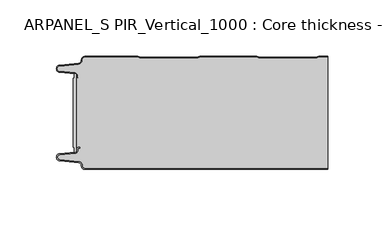
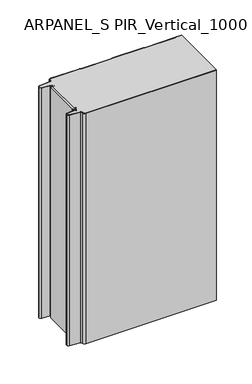
"""IFC4 building model written with IfcOpenShell, lengths in millimetres: plate geometry, ARPANEL_S PIR_Vertical_1000 : Core thickness - 100 mm."""

from ifc_helpers import new_model, si_unit, point, frame, frame_2d, origin, origin_with_axes, place, context, project, spatial, polyline, circle_curve, trimmed, segment, composite_curve, outline, extrude, source, transform, mapped, element, save
from ifc_brep_helpers import plane_surface, cylinder_surface, revolved_surface, advanced_brep


def arpanel_s_pir_vertical_1000_core_thickness_100_mm_e7b373ae(model_context):
    return source(origin(), model_context, "Body", "SolidModel", [
        extrude(outline(composite_curve([segment(polyline([(-105.2854621, -19.4639745), (-104.0682893, -19.0209598), (-104.0682893, -15.20918)]), True, "CONTINUOUS"), segment(trimmed(circle_curve(frame_2d((-103.9194754, -17.302662)), 2.0987645), [point((-104.0682893, -15.20918))], [point((-102.4659308, -15.7887199))], False, "CARTESIAN"), True, "CONTINUOUS"), segment(polyline([(-102.4659308, -15.7887199), (-102.4659308, -84.2112801)]), True, "CONTINUOUS"), segment(trimmed(circle_curve(frame_2d((-103.9194754, -82.697338)), 2.0987645), [point((-102.4659308, -84.2112801))], [point((-104.0682893, -84.79082))], False, "CARTESIAN"), True, "CONTINUOUS"), segment(polyline([(-104.0682893, -84.79082), (-104.0682893, -80.9790402), (-105.2854621, -80.5360255), (-105.2854621, -19.4639745)]), True, "CONTINUOUS")], self_intersect=False)), origin_with_axes(), (0.0, 0.0, 1.0), 400.0),
        advanced_brep(
        [(-94.8000003, -99.9996949, 0.0), (-97.9923632, -96.5787437, 0.0), (-100.2560431, -93.9171154, 0.0), (-117.2115315, -92.2546153, 0.0), (-119.9999998, -89.1776715, 0.0), (-117.2115315, -86.1007278, 0.0), (-103.6195785, -84.7680252, 0.0), (-101.9952277, -82.9766159, 0.0), (-101.9952277, -81.8996949, 0.0), (-100.5952277, -80.4996949, 0.0), (-99.4952277, -80.4996949, 0.0), (-99.4952277, -81.2996949, 0.0), (-100.5952277, -81.2996949, 0.0), (-101.1952277, -81.8996949, 0.0), (-101.1952277, -82.9766159, 0.0), (-103.5415122, -85.5642071, 0.0), (-117.1334652, -86.8969097, 0.0), (-119.1999997, -89.1776715, 0.0), (-117.1334652, -91.4584333, 0.0), (-100.1779767, -93.1209335, 0.0), (-97.2078761, -96.6330399, 0.0), (-94.8000003, -99.1996949, 0.0), (119.9999998, -99.2, 0.0), (119.9999998, -99.9996949, 0.0), (-94.8000003, -99.1996949, 400.0), (-97.1942724, -96.6339815, 400.0), (-100.1779767, -93.1209335, 400.0), (-117.1334652, -91.4584333, 400.0), (-119.1999997, -89.1776715, 400.0), (-117.1334652, -86.8969097, 400.0), (-103.5415122, -85.5642071, 400.0), (-101.1952277, -82.9766159, 400.0), (-101.1952277, -81.8996949, 400.0), (-100.5952277, -81.2996949, 400.0), (-99.4952277, -81.2996949, 400.0), (-99.4952277, -80.4996949, 400.0), (-100.5952277, -80.4996949, 400.0), (-101.9952277, -81.8996949, 400.0), (-101.9952277, -82.9766159, 400.0), (-103.6195785, -84.7680252, 400.0), (-117.2115315, -86.1007278, 400.0), (-119.9999998, -89.1776715, 400.0), (-117.2115315, -92.2546153, 400.0), (-100.2560431, -93.9171154, 400.0), (-98.0059668, -96.5778021, 400.0), (-94.8000003, -99.9996949, 400.0), (119.9999998, -99.9996949, 400.0), (119.9999998, -99.2, 400.0)],
        [
            (0, 1, circle_curve(frame((-94.8000003, -96.7996949, 0.0), z_axis=(0.0, 0.0, -1.0), x_axis=(1.0, 0.0, 0.0)), 3.2)),
            (1, 2, circle_curve(frame((-100.5000003, -96.4051839, 0.0), z_axis=(0.0, 0.0, 1.0), x_axis=(1.0, 0.0, 0.0)), 2.5)),
            (2, 3),
            (3, 4, circle_curve(frame((-116.9100003, -89.1793626, 0.0), z_axis=(0.0, 0.0, -1.0), x_axis=(1.0, 0.0, 0.0)), 3.09)),
            (4, 5, circle_curve(frame((-116.9100003, -89.1759805, 0.0), z_axis=(0.0, 0.0, -1.0), x_axis=(1.0, 0.0, 0.0)), 3.09)),
            (5, 6),
            (6, 7, circle_curve(frame((-103.7952277, -82.9766159, 0.0), z_axis=(0.0, 0.0, 1.0), x_axis=(1.0, 0.0, 0.0)), 1.8)),
            (7, 8),
            (8, 9, circle_curve(frame((-100.5952277, -81.8996949, 0.0), z_axis=(0.0, 0.0, -1.0), x_axis=(1.0, 0.0, 0.0)), 1.4)),
            (9, 10),
            (10, 11),
            (11, 12),
            (12, 13, circle_curve(frame((-100.5952277, -81.8996949, 0.0), z_axis=(0.0, 0.0, 1.0), x_axis=(1.0, 0.0, 0.0)), 0.6)),
            (13, 14),
            (14, 15, circle_curve(frame((-103.7952277, -82.9766159, 0.0), z_axis=(0.0, 0.0, -1.0), x_axis=(1.0, 0.0, 0.0)), 2.6)),
            (15, 16),
            (16, 17, circle_curve(frame((-116.9100003, -89.1759805, 0.0), z_axis=(0.0, 0.0, 1.0), x_axis=(1.0, 0.0, 0.0)), 2.29)),
            (17, 18, circle_curve(frame((-116.9100003, -89.1793626, 0.0), z_axis=(0.0, 0.0, 1.0), x_axis=(1.0, 0.0, 0.0)), 2.29)),
            (18, 19),
            (19, 20, circle_curve(frame((-100.5000003, -96.4051839, 0.0), z_axis=(0.0, 0.0, -1.0), x_axis=(1.0, 0.0, 0.0)), 3.3)),
            (20, 21, circle_curve(frame((-94.8000003, -96.7996949, 0.0), z_axis=(0.0, 0.0, 1.0), x_axis=(1.0, 0.0, 0.0)), 2.4)),
            (21, 22),
            (22, 23),
            (23, 0),
            (24, 25, circle_curve(frame((-94.8000003, -96.7996949, 400.0), z_axis=(0.0, 0.0, -1.0), x_axis=(1.0, 0.0, 0.0)), 2.4)),
            (25, 26, circle_curve(frame((-100.5000003, -96.4051839, 400.0), z_axis=(0.0, 0.0, 1.0), x_axis=(1.0, 0.0, 0.0)), 3.3)),
            (26, 27),
            (27, 28, circle_curve(frame((-116.9100003, -89.1793626, 400.0), z_axis=(0.0, 0.0, -1.0), x_axis=(1.0, 0.0, 0.0)), 2.29)),
            (28, 29, circle_curve(frame((-116.9100003, -89.1759805, 400.0), z_axis=(0.0, 0.0, -1.0), x_axis=(1.0, 0.0, 0.0)), 2.29)),
            (29, 30),
            (30, 31, circle_curve(frame((-103.7952277, -82.9766159, 400.0), z_axis=(0.0, 0.0, 1.0), x_axis=(1.0, 0.0, 0.0)), 2.6)),
            (31, 32),
            (32, 33, circle_curve(frame((-100.5952277, -81.8996949, 400.0), z_axis=(0.0, 0.0, -1.0), x_axis=(1.0, 0.0, 0.0)), 0.6)),
            (33, 34),
            (34, 35),
            (35, 36),
            (36, 37, circle_curve(frame((-100.5952277, -81.8996949, 400.0), z_axis=(0.0, 0.0, 1.0), x_axis=(1.0, 0.0, 0.0)), 1.4)),
            (37, 38),
            (38, 39, circle_curve(frame((-103.7952277, -82.9766159, 400.0), z_axis=(0.0, 0.0, -1.0), x_axis=(1.0, 0.0, 0.0)), 1.8)),
            (39, 40),
            (40, 41, circle_curve(frame((-116.9100003, -89.1759805, 400.0), z_axis=(0.0, 0.0, 1.0), x_axis=(1.0, 0.0, 0.0)), 3.09)),
            (41, 42, circle_curve(frame((-116.9100003, -89.1793626, 400.0), z_axis=(0.0, 0.0, 1.0), x_axis=(1.0, 0.0, 0.0)), 3.09)),
            (42, 43),
            (43, 44, circle_curve(frame((-100.5000003, -96.4051839, 400.0), z_axis=(0.0, 0.0, -1.0), x_axis=(1.0, 0.0, 0.0)), 2.5)),
            (44, 45, circle_curve(frame((-94.8000003, -96.7996949, 400.0), z_axis=(0.0, 0.0, 1.0), x_axis=(1.0, 0.0, 0.0)), 3.2)),
            (45, 46),
            (46, 47),
            (47, 24),
            (21, 24),
            (47, 22),
            (20, 25),
            (19, 26),
            (18, 27),
            (17, 28),
            (16, 29),
            (15, 30),
            (14, 31),
            (13, 32),
            (12, 33),
            (11, 34),
            (10, 35),
            (9, 36),
            (8, 37),
            (7, 38),
            (6, 39),
            (5, 40),
            (4, 41),
            (3, 42),
            (2, 43),
            (1, 44),
            (0, 45),
            (23, 46),
        ],
        [
            plane_surface(frame((-119.9999998, -100.0, 0.0), z_axis=(0.0, 0.0, -1.0), x_axis=(0.0, 1.0, 0.0))),
            plane_surface(frame((-119.9999998, -100.0, 400.0), z_axis=(0.0, 0.0, 1.0), x_axis=(0.0, 1.0, 0.0))),
            plane_surface(frame((-94.8000003, -99.2, 0.0), z_axis=(0.0, 1.0, 0.0), x_axis=(0.0, 0.0, 1.0))),
            revolved_surface(polyline([(-92.40000029999999, -96.7996949, 400.0), (-92.40000029999999, -96.7996949, 0.0)]), (-94.8000003, -96.7996949, 0.0), (0.0, 0.0, 1.0)),
            cylinder_surface(frame((-100.5000003, -96.4051839, 0.0), z_axis=(0.0, 0.0, -1.0), x_axis=(1.0, 0.0, 0.0)), 3.3),
            plane_surface(frame((-117.1334652, -91.4584333, 0.0), z_axis=(0.09758289975914758, 0.9952273999818314, 0.0), x_axis=(0.0, 0.0, 1.0))),
            revolved_surface(polyline([(-114.62000029999999, -89.1793626, 400.0), (-114.62000029999999, -89.1793626, 0.0)]), (-116.9100003, -89.1793626, 0.0), (0.0, 0.0, 1.0)),
            revolved_surface(polyline([(-114.62000029999999, -89.1759805, 400.0), (-114.62000029999999, -89.1759805, 0.0)]), (-116.9100003, -89.1759805, 0.0), (0.0, 0.0, 1.0)),
            plane_surface(frame((-103.5415122, -85.5642071, 0.0), z_axis=(0.09758289975914383, -0.9952273999818317, 0.0), x_axis=(0.0, 0.0, 1.0))),
            cylinder_surface(frame((-103.7952277, -82.9766159, 0.0), z_axis=(0.0, 0.0, -1.0), x_axis=(1.0, 0.0, 0.0)), 2.6),
            plane_surface(frame((-101.1952277, -81.8996949, 0.0), z_axis=(1.0, 0.0, 0.0), x_axis=(0.0, 0.0, 1.0))),
            revolved_surface(polyline([(-99.9952277, -81.8996949, 400.0), (-99.9952277, -81.8996949, 0.0)]), (-100.5952277, -81.8996949, 0.0), (0.0, 0.0, 1.0)),
            plane_surface(frame((-99.4952277, -81.2996949, 0.0), z_axis=(0.0, -1.0, 0.0), x_axis=(0.0, 0.0, 1.0))),
            plane_surface(frame((-99.4952277, -80.4996949, 0.0), z_axis=(1.0, 0.0, 0.0), x_axis=(0.0, 0.0, 1.0))),
            plane_surface(frame((-100.5952277, -80.4996949, 0.0), z_axis=(0.0, 1.0, 0.0), x_axis=(0.0, 0.0, 1.0))),
            cylinder_surface(frame((-100.5952277, -81.8996949, 0.0), z_axis=(0.0, 0.0, -1.0), x_axis=(1.0, 0.0, 0.0)), 1.4),
            plane_surface(frame((-101.9952277, -82.9766159, 0.0), z_axis=(-1.0, 0.0, 0.0), x_axis=(0.0, 0.0, 1.0))),
            revolved_surface(polyline([(-101.9952277, -82.9766159, 400.0), (-101.9952277, -82.9766159, 0.0)]), (-103.7952277, -82.9766159, 0.0), (0.0, 0.0, 1.0)),
            plane_surface(frame((-117.2115315, -86.1007278, 0.0), z_axis=(-0.09758289975914387, 0.9952273999818317, 0.0), x_axis=(0.0, 0.0, 1.0))),
            cylinder_surface(frame((-116.9100003, -89.1759805, 0.0), z_axis=(0.0, 0.0, -1.0), x_axis=(1.0, 0.0, 0.0)), 3.09),
            cylinder_surface(frame((-116.9100003, -89.1793626, 0.0), z_axis=(0.0, 0.0, -1.0), x_axis=(1.0, 0.0, 0.0)), 3.09),
            plane_surface(frame((-100.2560431, -93.9171154, 0.0), z_axis=(-0.09758289975914762, -0.9952273999818314, 0.0), x_axis=(0.0, 0.0, 1.0))),
            revolved_surface(polyline([(-98.0000003, -96.4051839, 400.0), (-98.0000003, -96.4051839, 0.0)]), (-100.5000003, -96.4051839, 0.0), (0.0, 0.0, 1.0)),
            cylinder_surface(frame((-94.8000003, -96.7996949, 0.0), z_axis=(0.0, 0.0, -1.0), x_axis=(1.0, 0.0, 0.0)), 3.2),
            plane_surface(frame((896.009932, -99.9996949, 0.0), z_axis=(0.0, -1.0, 0.0), x_axis=(0.0, 0.0, 1.0))),
            plane_surface(frame((119.9999998, 180.0, 400.0), z_axis=(1.0, 0.0, 0.0), x_axis=(0.0, 0.0, -1.0))),
        ],
        [
            (0, [[1, 2, 3, 4, 5, 6, 7, 8, 9, 10, 11, 12, 13, 14, 15, 16, 17, 18, 19, 20, 21, 22, 23, 24]]),
            (1, [[25, 26, 27, 28, 29, 30, 31, 32, 33, 34, 35, 36, 37, 38, 39, 40, 41, 42, 43, 44, 45, 46, 47, 48]]),
            (2, [[49, -48, 50, -22]]),
            (3, [[-21, 51, -25, -49]]),
            (4, [[-20, 52, -26, -51]]),
            (5, [[-19, 53, -27, -52]]),
            (6, [[-18, 54, -28, -53]]),
            (7, [[-17, 55, -29, -54]]),
            (8, [[-16, 56, -30, -55]]),
            (9, [[-15, 57, -31, -56]]),
            (10, [[-14, 58, -32, -57]]),
            (11, [[-13, 59, -33, -58]]),
            (12, [[-12, 60, -34, -59]]),
            (13, [[-11, 61, -35, -60]]),
            (14, [[-10, 62, -36, -61]]),
            (15, [[-9, 63, -37, -62]]),
            (16, [[-8, 64, -38, -63]]),
            (17, [[-7, 65, -39, -64]]),
            (18, [[-6, 66, -40, -65]]),
            (19, [[-5, 67, -41, -66]]),
            (20, [[-4, 68, -42, -67]]),
            (21, [[-3, 69, -43, -68]]),
            (22, [[-2, 70, -44, -69]]),
            (23, [[-1, 71, -45, -70]]),
            (24, [[-71, -24, 72, -46]]),
            (25, [[-23, -50, -47, -72]]),
        ],
    ),
        advanced_brep(
        [(-101.9952277, -17.0233841, 400.0), (-102.4671027, -15.8084422, 400.0), (-102.4671027, -84.1915578, 400.0), (-101.9952277, -82.9766159, 400.0), (-101.9952277, -81.8996949, 400.0), (-100.5952277, -80.4996949, 400.0), (-99.4952277, -80.4996949, 400.0), (-99.4952277, -81.2996949, 400.0), (-100.5952277, -81.2996949, 400.0), (-101.1952277, -81.8996949, 400.0), (-101.1952277, -82.9766159, 400.0), (-103.5415122, -85.5642071, 400.0), (-117.1334652, -86.8969097, 400.0), (-119.1999997, -89.1776715, 400.0), (-117.1334652, -91.4584333, 400.0), (-100.1779767, -93.1209335, 400.0), (-97.2078761, -96.6330399, 400.0), (-94.8000003, -99.1996949, 400.0), (119.9999998, -99.2, 400.0), (119.9999998, -0.8, 400.0), (112.3119565, -0.8, 400.0), (111.2605406, -1.0986697, 400.0), (109.8401597, -1.5003051, 400.0), (59.6803765, -1.5003051, 400.0), (58.2609651, -1.0971009, 400.0), (57.2085797, -0.8, 400.0), (7.0487965, -0.8, 400.0), (5.9973806, -1.0986697, 400.0), (4.5769997, -1.5003051, 400.0), (-45.5827835, -1.5003051, 400.0), (-47.0021949, -1.0971009, 400.0), (-48.0545803, -0.8, 400.0), (-94.8000003, -0.8, 400.0), (-97.1942724, -3.3660185, 400.0), (-100.1779767, -6.8790665, 400.0), (-117.1334652, -8.5415667, 400.0), (-119.1999997, -10.8223285, 400.0), (-117.1334652, -13.1030903, 400.0), (-103.5415122, -14.4357929, 400.0), (-101.1952277, -17.0233841, 400.0), (-101.1952277, -18.1003051, 400.0), (-100.5952277, -18.7003051, 400.0), (-99.4952277, -18.7003051, 400.0), (-99.4952277, -19.5003051, 400.0), (-100.5952277, -19.5003051, 400.0), (-101.9952277, -18.1003051, 400.0), (-102.4671027, -15.8084422, 0.0), (-101.9952277, -17.0233841, 0.0), (-101.9952277, -18.1003051, 0.0), (-100.5952277, -19.5003051, 0.0), (-99.4952277, -19.5003051, 0.0), (-99.4952277, -18.7003051, 0.0), (-100.5952277, -18.7003051, 0.0), (-101.1952277, -18.1003051, 0.0), (-101.1952277, -17.0233841, 0.0), (-103.5415122, -14.4357929, 0.0), (-117.1334652, -13.1030903, 0.0), (-119.1999997, -10.8223285, 0.0), (-117.1334652, -8.5415667, 0.0), (-100.1779767, -6.8790665, 0.0), (-97.2078761, -3.3669601, 0.0), (-94.8000003, -0.8003051, 0.0), (-48.0545803, -0.8, 0.0), (-47.0031645, -1.0986697, 0.0), (-45.5827835, -1.5003051, 0.0), (4.5769997, -1.5003051, 0.0), (5.9964111, -1.0971009, 0.0), (7.0487965, -0.8, 0.0), (57.2085797, -0.8, 0.0), (58.2599955, -1.0986697, 0.0), (59.6803765, -1.5003051, 0.0), (109.8401597, -1.5003051, 0.0), (111.2595711, -1.0971009, 0.0), (112.3119565, -0.8, 0.0), (119.9999998, -0.8, 0.0), (119.9999998, -99.2, 0.0), (-94.8000003, -99.2, 0.0), (-97.1942724, -96.6339815, 0.0), (-100.1779767, -93.1209335, 0.0), (-117.1334652, -91.4584333, 0.0), (-119.1999997, -89.1776715, 0.0), (-117.1334652, -86.8969097, 0.0), (-103.5415122, -85.5642071, 0.0), (-101.1952277, -82.9766159, 0.0), (-101.1952277, -81.8996949, 0.0), (-100.5952277, -81.2996949, 0.0), (-99.4952277, -81.2996949, 0.0), (-99.4952277, -80.4996949, 0.0), (-100.5952277, -80.4996949, 0.0), (-101.9952277, -81.8996949, 0.0), (-101.9952277, -82.9766159, 0.0), (-102.4671027, -84.1915578, 0.0)],
        [
            (0, 1, circle_curve(frame((-103.7952277, -17.0233841, 400.0), z_axis=(0.0, 0.0, 1.0), x_axis=(1.0, 0.0, 0.0)), 1.8)),
            (1, 2),
            (2, 3, circle_curve(frame((-103.7952277, -82.9766159, 400.0), z_axis=(0.0, 0.0, 1.0), x_axis=(1.0, 0.0, 0.0)), 1.8)),
            (3, 4),
            (4, 5, circle_curve(frame((-100.5952277, -81.8996949, 400.0), z_axis=(0.0, 0.0, -1.0), x_axis=(1.0, 0.0, 0.0)), 1.4)),
            (5, 6),
            (6, 7),
            (7, 8),
            (8, 9, circle_curve(frame((-100.5952277, -81.8996949, 400.0), z_axis=(0.0, 0.0, 1.0), x_axis=(1.0, 0.0, 0.0)), 0.6)),
            (9, 10),
            (10, 11, circle_curve(frame((-103.7952277, -82.9766159, 400.0), z_axis=(0.0, 0.0, -1.0), x_axis=(1.0, 0.0, 0.0)), 2.6)),
            (11, 12),
            (12, 13, circle_curve(frame((-116.9100003, -89.1759805, 400.0), z_axis=(0.0, 0.0, 1.0), x_axis=(1.0, 0.0, 0.0)), 2.29)),
            (13, 14, circle_curve(frame((-116.9100003, -89.1793626, 400.0), z_axis=(0.0, 0.0, 1.0), x_axis=(1.0, 0.0, 0.0)), 2.29)),
            (14, 15),
            (15, 16, circle_curve(frame((-100.5000003, -96.4051839, 400.0), z_axis=(0.0, 0.0, -1.0), x_axis=(1.0, 0.0, 0.0)), 3.3)),
            (16, 17, circle_curve(frame((-94.8000003, -96.7996949, 400.0), z_axis=(0.0, 0.0, 1.0), x_axis=(1.0, 0.0, 0.0)), 2.4)),
            (17, 18),
            (18, 19),
            (19, 20),
            (20, 21, circle_curve(frame((112.3119565, -2.8, 400.0), z_axis=(0.0, 0.0, 1.0), x_axis=(1.0, 0.0, 0.0)), 2.0)),
            (21, 22, circle_curve(frame((109.8401597, 1.1996949, 400.0), z_axis=(0.0, 0.0, -1.0), x_axis=(1.0, 0.0, 0.0)), 2.7)),
            (22, 23),
            (23, 24, circle_curve(frame((59.6803765, 1.1996949, 400.0), z_axis=(0.0, 0.0, -1.0), x_axis=(1.0, 0.0, 0.0)), 2.7)),
            (24, 25, circle_curve(frame((57.2085797, -2.8, 400.0), z_axis=(0.0, 0.0, 1.0), x_axis=(1.0, 0.0, 0.0)), 2.0)),
            (25, 26),
            (26, 27, circle_curve(frame((7.0487965, -2.8, 400.0), z_axis=(0.0, 0.0, 1.0), x_axis=(1.0, 0.0, 0.0)), 2.0)),
            (27, 28, circle_curve(frame((4.5769997, 1.1996949, 400.0), z_axis=(0.0, 0.0, -1.0), x_axis=(1.0, 0.0, 0.0)), 2.7)),
            (28, 29),
            (29, 30, circle_curve(frame((-45.5827835, 1.1996949, 400.0), z_axis=(0.0, 0.0, -1.0), x_axis=(1.0, 0.0, 0.0)), 2.7)),
            (30, 31, circle_curve(frame((-48.0545803, -2.8, 400.0), z_axis=(0.0, 0.0, 1.0), x_axis=(1.0, 0.0, 0.0)), 2.0)),
            (31, 32),
            (32, 33, circle_curve(frame((-94.8000003, -3.2003051, 400.0), z_axis=(0.0, 0.0, 1.0), x_axis=(1.0, 0.0, 0.0)), 2.4)),
            (33, 34, circle_curve(frame((-100.5000003, -3.5948161, 400.0), z_axis=(0.0, 0.0, -1.0), x_axis=(1.0, 0.0, 0.0)), 3.3)),
            (34, 35),
            (35, 36, circle_curve(frame((-116.9100003, -10.8206374, 400.0), z_axis=(0.0, 0.0, 1.0), x_axis=(1.0, 0.0, 0.0)), 2.29)),
            (36, 37, circle_curve(frame((-116.9100003, -10.8240195, 400.0), z_axis=(0.0, 0.0, 1.0), x_axis=(1.0, 0.0, 0.0)), 2.29)),
            (37, 38),
            (38, 39, circle_curve(frame((-103.7952277, -17.0233841, 400.0), z_axis=(0.0, 0.0, -1.0), x_axis=(1.0, 0.0, 0.0)), 2.6)),
            (39, 40),
            (40, 41, circle_curve(frame((-100.5952277, -18.1003051, 400.0), z_axis=(0.0, 0.0, 1.0), x_axis=(1.0, 0.0, 0.0)), 0.6)),
            (41, 42),
            (42, 43),
            (43, 44),
            (44, 45, circle_curve(frame((-100.5952277, -18.1003051, 400.0), z_axis=(0.0, 0.0, -1.0), x_axis=(1.0, 0.0, 0.0)), 1.4)),
            (45, 0),
            (46, 47, circle_curve(frame((-103.7952277, -17.0233841, 0.0), z_axis=(0.0, 0.0, -1.0), x_axis=(1.0, 0.0, 0.0)), 1.8)),
            (47, 48),
            (48, 49, circle_curve(frame((-100.5952277, -18.1003051, 0.0), z_axis=(0.0, 0.0, 1.0), x_axis=(1.0, 0.0, 0.0)), 1.4)),
            (49, 50),
            (50, 51),
            (51, 52),
            (52, 53, circle_curve(frame((-100.5952277, -18.1003051, 0.0), z_axis=(0.0, 0.0, -1.0), x_axis=(1.0, 0.0, 0.0)), 0.6)),
            (53, 54),
            (54, 55, circle_curve(frame((-103.7952277, -17.0233841, 0.0), z_axis=(0.0, 0.0, 1.0), x_axis=(1.0, 0.0, 0.0)), 2.6)),
            (55, 56),
            (56, 57, circle_curve(frame((-116.9100003, -10.8240195, 0.0), z_axis=(0.0, 0.0, -1.0), x_axis=(1.0, 0.0, 0.0)), 2.29)),
            (57, 58, circle_curve(frame((-116.9100003, -10.8206374, 0.0), z_axis=(0.0, 0.0, -1.0), x_axis=(1.0, 0.0, 0.0)), 2.29)),
            (58, 59),
            (59, 60, circle_curve(frame((-100.5000003, -3.5948161, 0.0), z_axis=(0.0, 0.0, 1.0), x_axis=(1.0, 0.0, 0.0)), 3.3)),
            (60, 61, circle_curve(frame((-94.8000003, -3.2003051, 0.0), z_axis=(0.0, 0.0, -1.0), x_axis=(1.0, 0.0, 0.0)), 2.4)),
            (61, 62),
            (62, 63, circle_curve(frame((-48.0545803, -2.8, 0.0), z_axis=(0.0, 0.0, -1.0), x_axis=(1.0, 0.0, 0.0)), 2.0)),
            (63, 64, circle_curve(frame((-45.5827835, 1.1996949, 0.0), z_axis=(0.0, 0.0, 1.0), x_axis=(1.0, 0.0, 0.0)), 2.7)),
            (64, 65),
            (65, 66, circle_curve(frame((4.5769997, 1.1996949, 0.0), z_axis=(0.0, 0.0, 1.0), x_axis=(1.0, 0.0, 0.0)), 2.7)),
            (66, 67, circle_curve(frame((7.0487965, -2.8, 0.0), z_axis=(0.0, 0.0, -1.0), x_axis=(1.0, 0.0, 0.0)), 2.0)),
            (67, 68),
            (68, 69, circle_curve(frame((57.2085797, -2.8, 0.0), z_axis=(0.0, 0.0, -1.0), x_axis=(1.0, 0.0, 0.0)), 2.0)),
            (69, 70, circle_curve(frame((59.6803765, 1.1996949, 0.0), z_axis=(0.0, 0.0, 1.0), x_axis=(1.0, 0.0, 0.0)), 2.7)),
            (70, 71),
            (71, 72, circle_curve(frame((109.8401597, 1.1996949, 0.0), z_axis=(0.0, 0.0, 1.0), x_axis=(1.0, 0.0, 0.0)), 2.7)),
            (72, 73, circle_curve(frame((112.3119565, -2.8, 0.0), z_axis=(0.0, 0.0, -1.0), x_axis=(1.0, 0.0, 0.0)), 2.0)),
            (73, 74),
            (74, 75),
            (75, 76),
            (76, 77, circle_curve(frame((-94.8000003, -96.7996949, 0.0), z_axis=(0.0, 0.0, -1.0), x_axis=(1.0, 0.0, 0.0)), 2.4)),
            (77, 78, circle_curve(frame((-100.5000003, -96.4051839, 0.0), z_axis=(0.0, 0.0, 1.0), x_axis=(1.0, 0.0, 0.0)), 3.3)),
            (78, 79),
            (79, 80, circle_curve(frame((-116.9100003, -89.1793626, 0.0), z_axis=(0.0, 0.0, -1.0), x_axis=(1.0, 0.0, 0.0)), 2.29)),
            (80, 81, circle_curve(frame((-116.9100003, -89.1759805, 0.0), z_axis=(0.0, 0.0, -1.0), x_axis=(1.0, 0.0, 0.0)), 2.29)),
            (81, 82),
            (82, 83, circle_curve(frame((-103.7952277, -82.9766159, 0.0), z_axis=(0.0, 0.0, 1.0), x_axis=(1.0, 0.0, 0.0)), 2.6)),
            (83, 84),
            (84, 85, circle_curve(frame((-100.5952277, -81.8996949, 0.0), z_axis=(0.0, 0.0, -1.0), x_axis=(1.0, 0.0, 0.0)), 0.6)),
            (85, 86),
            (86, 87),
            (87, 88),
            (88, 89, circle_curve(frame((-100.5952277, -81.8996949, 0.0), z_axis=(0.0, 0.0, 1.0), x_axis=(1.0, 0.0, 0.0)), 1.4)),
            (89, 90),
            (90, 91, circle_curve(frame((-103.7952277, -82.9766159, 0.0), z_axis=(0.0, 0.0, -1.0), x_axis=(1.0, 0.0, 0.0)), 1.8)),
            (91, 46),
            (1, 46),
            (91, 2),
            (0, 47),
            (45, 48),
            (44, 49),
            (43, 50),
            (51, 42),
            (41, 52),
            (40, 53),
            (39, 54),
            (38, 55),
            (37, 56),
            (36, 57),
            (35, 58),
            (34, 59),
            (33, 60),
            (32, 61),
            (31, 62),
            (30, 63),
            (29, 64),
            (28, 65),
            (27, 66),
            (26, 67),
            (25, 68),
            (24, 69),
            (23, 70),
            (22, 71),
            (21, 72),
            (20, 73),
            (19, 74),
            (17, 76),
            (75, 18),
            (16, 77),
            (15, 78),
            (14, 79),
            (13, 80),
            (12, 81),
            (11, 82),
            (10, 83),
            (9, 84),
            (8, 85),
            (7, 86),
            (6, 87),
            (5, 88),
            (4, 89),
            (3, 90),
        ],
        [
            plane_surface(frame((-119.9999998, 0.0, 400.0), z_axis=(0.0, 0.0, 1.0), x_axis=(0.0, -1.0, 0.0))),
            plane_surface(frame((-119.9999998, 0.0, 0.0), z_axis=(0.0, 0.0, -1.0), x_axis=(0.0, -1.0, 0.0))),
            plane_surface(frame((-102.4671027, -14.998578, 400.0), z_axis=(-1.0, 0.0, 0.0), x_axis=(0.0, 0.0, -1.0))),
            cylinder_surface(frame((-103.7952277, -17.0233841, 530.0), z_axis=(0.0, 0.0, -1.0), x_axis=(1.0, 0.0, 0.0)), 1.8),
            plane_surface(frame((-101.9952277, -17.0233841, 530.0), z_axis=(1.0, 0.0, 0.0), x_axis=(0.0, 0.0, -1.0))),
            revolved_surface(polyline([(-99.19522769999999, -18.1003051, 400.0), (-99.19522769999999, -18.1003051, 0.0)]), (-100.5952277, -18.1003051, 530.0), (0.0, 0.0, 1.0)),
            plane_surface(frame((-100.5952277, -19.5003051, 530.0), z_axis=(0.0, 1.0, 0.0), x_axis=(0.0, 0.0, -1.0))),
            plane_surface(frame((-99.4952277, -18.7003051, 530.0), z_axis=(0.0, -1.0, 0.0), x_axis=(0.0, 0.0, -1.0))),
            cylinder_surface(frame((-100.5952277, -18.1003051, 530.0), z_axis=(0.0, 0.0, -1.0), x_axis=(1.0, 0.0, 0.0)), 0.6),
            plane_surface(frame((-101.1952277, -18.1003051, 530.0), z_axis=(-1.0, 0.0, 0.0), x_axis=(0.0, 0.0, -1.0))),
            revolved_surface(polyline([(-101.1952277, -17.0233841, 400.0), (-101.1952277, -17.0233841, 0.0)]), (-103.7952277, -17.0233841, 530.0), (0.0, 0.0, 1.0)),
            plane_surface(frame((-103.5415122, -14.4357929, 530.0), z_axis=(-0.09758289975914705, -0.9952273999818314, 0.0), x_axis=(0.0, 0.0, -1.0))),
            cylinder_surface(frame((-116.9100003, -10.8240195, 530.0), z_axis=(0.0, 0.0, -1.0), x_axis=(1.0, 0.0, 0.0)), 2.29),
            cylinder_surface(frame((-116.9100003, -10.8206374, 530.0), z_axis=(0.0, 0.0, -1.0), x_axis=(1.0, 0.0, 0.0)), 2.29),
            plane_surface(frame((-117.1334652, -8.5415667, 530.0), z_axis=(-0.09758289975914436, 0.9952273999818317, 0.0), x_axis=(0.0, 0.0, -1.0))),
            revolved_surface(polyline([(-97.2000003, -3.5948161, 400.0), (-97.2000003, -3.5948161, 0.0)]), (-100.5000003, -3.5948161, 530.0), (0.0, 0.0, 1.0)),
            cylinder_surface(frame((-94.8000003, -3.2003051, 530.0), z_axis=(0.0, 0.0, -1.0), x_axis=(1.0, 0.0, 0.0)), 2.4),
            plane_surface(frame((-94.8000003, -0.8, 530.0), z_axis=(0.0, 1.0, 0.0), x_axis=(0.0, 0.0, -1.0))),
            cylinder_surface(frame((-48.0545803, -2.8, 530.0), z_axis=(0.0, 0.0, -1.0), x_axis=(1.0, 0.0, 0.0)), 2.0),
            revolved_surface(polyline([(-42.882783499999995, 1.1996949, 400.0), (-42.882783499999995, 1.1996949, 0.0)]), (-45.5827835, 1.1996949, 530.0), (0.0, 0.0, 1.0)),
            plane_surface(frame((-45.5827835, -1.5003051, 530.0), z_axis=(0.0, 1.0, 0.0), x_axis=(0.0, 0.0, -1.0))),
            revolved_surface(polyline([(7.2769997, 1.1996949, 400.0), (7.2769997, 1.1996949, 0.0)]), (4.5769997, 1.1996949, 530.0), (0.0, 0.0, 1.0)),
            cylinder_surface(frame((7.0487965, -2.8, 530.0), z_axis=(0.0, 0.0, -1.0), x_axis=(1.0, 0.0, 0.0)), 2.0),
            plane_surface(frame((7.0487965, -0.8, 530.0), z_axis=(0.0, 1.0, 0.0), x_axis=(0.0, 0.0, -1.0))),
            cylinder_surface(frame((57.2085797, -2.8, 530.0), z_axis=(0.0, 0.0, -1.0), x_axis=(1.0, 0.0, 0.0)), 2.0),
            revolved_surface(polyline([(62.380376500000004, 1.1996949, 400.0), (62.380376500000004, 1.1996949, 0.0)]), (59.6803765, 1.1996949, 530.0), (0.0, 0.0, 1.0)),
            plane_surface(frame((59.6803765, -1.5003051, 530.0), z_axis=(0.0, 1.0, 0.0), x_axis=(0.0, 0.0, -1.0))),
            revolved_surface(polyline([(112.5401597, 1.1996949, 400.0), (112.5401597, 1.1996949, 0.0)]), (109.8401597, 1.1996949, 530.0), (0.0, 0.0, 1.0)),
            cylinder_surface(frame((112.3119565, -2.8, 530.0), z_axis=(0.0, 0.0, -1.0), x_axis=(1.0, 0.0, 0.0)), 2.0),
            plane_surface(frame((112.3119565, -0.8, 530.0), z_axis=(0.0, 1.0, 0.0), x_axis=(0.0, 0.0, -1.0))),
            plane_surface(frame((-99.4952277, -19.5003051, 530.0), z_axis=(-1.0, 0.0, 0.0), x_axis=(0.0, 0.0, -1.0))),
            plane_surface(frame((896.009932, -99.2, 530.0), z_axis=(0.0, -1.0, 0.0), x_axis=(0.0, 0.0, -1.0))),
            cylinder_surface(frame((-94.8000003, -96.7996949, 530.0), z_axis=(0.0, 0.0, -1.0), x_axis=(1.0, 0.0, 0.0)), 2.4),
            revolved_surface(polyline([(-97.2000003, -96.4051839, 400.0), (-97.2000003, -96.4051839, 0.0)]), (-100.5000003, -96.4051839, 530.0), (0.0, 0.0, 1.0)),
            plane_surface(frame((-100.1779767, -93.1209335, 530.0), z_axis=(-0.09758289975914758, -0.9952273999818314, 0.0), x_axis=(0.0, 0.0, -1.0))),
            cylinder_surface(frame((-116.9100003, -89.1793626, 530.0), z_axis=(0.0, 0.0, -1.0), x_axis=(1.0, 0.0, 0.0)), 2.29),
            cylinder_surface(frame((-116.9100003, -89.1759805, 530.0), z_axis=(0.0, 0.0, -1.0), x_axis=(1.0, 0.0, 0.0)), 2.29),
            plane_surface(frame((-117.1334652, -86.8969097, 530.0), z_axis=(-0.09758289975914383, 0.9952273999818317, 0.0), x_axis=(0.0, 0.0, -1.0))),
            revolved_surface(polyline([(-101.1952277, -82.9766159, 400.0), (-101.1952277, -82.9766159, 0.0)]), (-103.7952277, -82.9766159, 530.0), (0.0, 0.0, 1.0)),
            plane_surface(frame((-101.1952277, -82.9766159, 530.0), z_axis=(-1.0, 0.0, 0.0), x_axis=(0.0, 0.0, -1.0))),
            cylinder_surface(frame((-100.5952277, -81.8996949, 530.0), z_axis=(0.0, 0.0, -1.0), x_axis=(1.0, 0.0, 0.0)), 0.6),
            plane_surface(frame((-100.5952277, -81.2996949, 530.0), z_axis=(0.0, 1.0, 0.0), x_axis=(0.0, 0.0, -1.0))),
            plane_surface(frame((-99.4952277, -81.2996949, 530.0), z_axis=(-1.0, 0.0, 0.0), x_axis=(0.0, 0.0, -1.0))),
            plane_surface(frame((-99.4952277, -80.4996949, 530.0), z_axis=(0.0, -1.0, 0.0), x_axis=(0.0, 0.0, -1.0))),
            revolved_surface(polyline([(-99.19522769999999, -81.8996949, 400.0), (-99.19522769999999, -81.8996949, 0.0)]), (-100.5952277, -81.8996949, 530.0), (0.0, 0.0, 1.0)),
            plane_surface(frame((-101.9952277, -81.8996949, 530.0), z_axis=(1.0, 0.0, 0.0), x_axis=(0.0, 0.0, -1.0))),
            cylinder_surface(frame((-103.7952277, -82.9766159, 530.0), z_axis=(0.0, 0.0, -1.0), x_axis=(1.0, 0.0, 0.0)), 1.8),
            plane_surface(frame((119.9999998, 180.0, 400.0), z_axis=(1.0, 0.0, 0.0), x_axis=(0.0, 0.0, -1.0))),
        ],
        [
            (0, [[1, 2, 3, 4, 5, 6, 7, 8, 9, 10, 11, 12, 13, 14, 15, 16, 17, 18, 19, 20, 21, 22, 23, 24, 25, 26, 27, 28, 29, 30, 31, 32, 33, 34, 35, 36, 37, 38, 39, 40, 41, 42, 43, 44, 45, 46]]),
            (1, [[47, 48, 49, 50, 51, 52, 53, 54, 55, 56, 57, 58, 59, 60, 61, 62, 63, 64, 65, 66, 67, 68, 69, 70, 71, 72, 73, 74, 75, 76, 77, 78, 79, 80, 81, 82, 83, 84, 85, 86, 87, 88, 89, 90, 91, 92]]),
            (2, [[93, -92, 94, -2]]),
            (3, [[95, -47, -93, -1]]),
            (4, [[-95, -46, 96, -48]]),
            (5, [[-96, -45, 97, -49]]),
            (6, [[-97, -44, 98, -50]]),
            (7, [[99, -42, 100, -52]]),
            (8, [[-100, -41, 101, -53]]),
            (9, [[-101, -40, 102, -54]]),
            (10, [[-102, -39, 103, -55]]),
            (11, [[-103, -38, 104, -56]]),
            (12, [[-104, -37, 105, -57]]),
            (13, [[-105, -36, 106, -58]]),
            (14, [[-106, -35, 107, -59]]),
            (15, [[-107, -34, 108, -60]]),
            (16, [[-108, -33, 109, -61]]),
            (17, [[-109, -32, 110, -62]]),
            (18, [[-110, -31, 111, -63]]),
            (19, [[-111, -30, 112, -64]]),
            (20, [[-112, -29, 113, -65]]),
            (21, [[-113, -28, 114, -66]]),
            (22, [[-114, -27, 115, -67]]),
            (23, [[-115, -26, 116, -68]]),
            (24, [[-116, -25, 117, -69]]),
            (25, [[-117, -24, 118, -70]]),
            (26, [[-118, -23, 119, -71]]),
            (27, [[-119, -22, 120, -72]]),
            (28, [[-120, -21, 121, -73]]),
            (29, [[-121, -20, 122, -74]]),
            (30, [[-99, -51, -98, -43]]),
            (31, [[123, -76, 124, -18]]),
            (32, [[-123, -17, 125, -77]]),
            (33, [[-125, -16, 126, -78]]),
            (34, [[-126, -15, 127, -79]]),
            (35, [[-127, -14, 128, -80]]),
            (36, [[-128, -13, 129, -81]]),
            (37, [[-129, -12, 130, -82]]),
            (38, [[-130, -11, 131, -83]]),
            (39, [[-131, -10, 132, -84]]),
            (40, [[-132, -9, 133, -85]]),
            (41, [[-133, -8, 134, -86]]),
            (42, [[-134, -7, 135, -87]]),
            (43, [[-135, -6, 136, -88]]),
            (44, [[-136, -5, 137, -89]]),
            (45, [[-137, -4, 138, -90]]),
            (46, [[-138, -3, -94, -91]]),
            (47, [[-122, -19, -124, -75]]),
        ],
    ),
        advanced_brep(
        [(-47.0031645, -1.0986697, 0.0), (-48.0545803, -0.8, 0.0), (-94.8000003, -0.8, 0.0), (-97.1942724, -3.3660185, 0.0), (-100.1779767, -6.8790665, 0.0), (-117.1334652, -8.5415667, 0.0), (-119.1999997, -10.8223285, 0.0), (-117.1334652, -13.1030903, 0.0), (-103.5415122, -14.4357929, 0.0), (-101.1952277, -17.0233841, 0.0), (-101.1952277, -18.1003051, 0.0), (-100.5952277, -18.7003051, 0.0), (-99.4952277, -18.7003051, 0.0), (-99.4952277, -19.5003051, 0.0), (-100.5952277, -19.5003051, 0.0), (-101.9952277, -18.1003051, 0.0), (-101.9952277, -17.0233841, 0.0), (-103.6195785, -15.2319748, 0.0), (-117.2115315, -13.8992722, 0.0), (-119.9999998, -10.8223285, 0.0), (-117.2115315, -7.7453847, 0.0), (-100.2560431, -6.0828846, 0.0), (-98.0059668, -3.4221979, 0.0), (-94.8000003, -0.0003051, 0.0), (-48.0545803, -0.0003051, 0.0), (-46.6352472, -0.4034608, 0.0), (-45.5827835, -0.7003051, 0.0), (4.5769997, -0.7003051, 0.0), (5.6283575, -0.4016712, 0.0), (7.0487965, -0.0003051, 0.0), (57.2085797, -0.0003051, 0.0), (58.6279128, -0.4034608, 0.0), (59.6803765, -0.7003051, 0.0), (109.8401597, -0.7003051, 0.0), (110.8915175, -0.4016712, 0.0), (112.3119565, -0.0003051, 0.0), (119.9999998, -0.0003051, 0.0), (119.9999998, -0.8, 0.0), (112.3119565, -0.8, 0.0), (111.2605406, -1.0986697, 0.0), (109.8401597, -1.5003051, 0.0), (59.6803765, -1.5003051, 0.0), (58.2609651, -1.0971009, 0.0), (57.2085797, -0.8, 0.0), (7.0487965, -0.8, 0.0), (5.9973806, -1.0986697, 0.0), (4.5769997, -1.5003051, 0.0), (-45.5827835, -1.5003051, 0.0), (-47.0021949, -1.0971009, 400.0), (-45.5827835, -1.5003051, 400.0), (4.5769997, -1.5003051, 400.0), (5.9964111, -1.0971009, 400.0), (7.0487965, -0.8, 400.0), (57.2085797, -0.8, 400.0), (58.2599955, -1.0986697, 400.0), (59.6803765, -1.5003051, 400.0), (109.8401597, -1.5003051, 400.0), (111.2595711, -1.0971009, 400.0), (112.3119565, -0.8, 400.0), (119.9999998, -0.8, 400.0), (119.9999998, -0.0003051, 400.0), (112.3119565, -0.0003051, 400.0), (110.8926234, -0.4034608, 400.0), (109.8401597, -0.7003051, 400.0), (59.6803765, -0.7003051, 400.0), (58.6290186, -0.4016712, 400.0), (57.2085797, -0.0003051, 400.0), (7.0487965, -0.0003051, 400.0), (5.6294634, -0.4034608, 400.0), (4.5769997, -0.7003051, 400.0), (-45.5827835, -0.7003051, 400.0), (-46.6341414, -0.4016712, 400.0), (-48.0545803, -0.0003051, 400.0), (-94.8000003, -0.0003051, 400.0), (-97.9923632, -3.4212563, 400.0), (-100.2560431, -6.0828846, 400.0), (-117.2115315, -7.7453847, 400.0), (-119.9999998, -10.8223285, 400.0), (-117.2115315, -13.8992722, 400.0), (-103.6195785, -15.2319748, 400.0), (-101.9952277, -17.0233841, 400.0), (-101.9952277, -18.1003051, 400.0), (-100.5952277, -19.5003051, 400.0), (-99.4952277, -19.5003051, 400.0), (-99.4952277, -18.7003051, 400.0), (-100.5952277, -18.7003051, 400.0), (-101.1952277, -18.1003051, 400.0), (-101.1952277, -17.0233841, 400.0), (-103.5415122, -14.4357929, 400.0), (-117.1334652, -13.1030903, 400.0), (-119.1999997, -10.8223285, 400.0), (-117.1334652, -8.5415667, 400.0), (-100.1779767, -6.8790665, 400.0), (-97.2078761, -3.3669601, 400.0), (-94.8000003, -0.8003051, 400.0), (-48.0545803, -0.8, 400.0)],
        [
            (0, 1, circle_curve(frame((-48.0545803, -2.8, 0.0), z_axis=(0.0, 0.0, 1.0), x_axis=(1.0, 0.0, 0.0)), 2.0)),
            (1, 2),
            (2, 3, circle_curve(frame((-94.8000003, -3.2003051, 0.0), z_axis=(0.0, 0.0, 1.0), x_axis=(1.0, 0.0, 0.0)), 2.4)),
            (3, 4, circle_curve(frame((-100.5000003, -3.5948161, 0.0), z_axis=(0.0, 0.0, -1.0), x_axis=(1.0, 0.0, 0.0)), 3.3)),
            (4, 5),
            (5, 6, circle_curve(frame((-116.9100003, -10.8206374, 0.0), z_axis=(0.0, 0.0, 1.0), x_axis=(1.0, 0.0, 0.0)), 2.29)),
            (6, 7, circle_curve(frame((-116.9100003, -10.8240195, 0.0), z_axis=(0.0, 0.0, 1.0), x_axis=(1.0, 0.0, 0.0)), 2.29)),
            (7, 8),
            (8, 9, circle_curve(frame((-103.7952277, -17.0233841, 0.0), z_axis=(0.0, 0.0, -1.0), x_axis=(1.0, 0.0, 0.0)), 2.6)),
            (9, 10),
            (10, 11, circle_curve(frame((-100.5952277, -18.1003051, 0.0), z_axis=(0.0, 0.0, 1.0), x_axis=(1.0, 0.0, 0.0)), 0.6)),
            (11, 12),
            (12, 13),
            (13, 14),
            (14, 15, circle_curve(frame((-100.5952277, -18.1003051, 0.0), z_axis=(0.0, 0.0, -1.0), x_axis=(1.0, 0.0, 0.0)), 1.4)),
            (15, 16),
            (16, 17, circle_curve(frame((-103.7952277, -17.0233841, 0.0), z_axis=(0.0, 0.0, 1.0), x_axis=(1.0, 0.0, 0.0)), 1.8)),
            (17, 18),
            (18, 19, circle_curve(frame((-116.9100003, -10.8240195, 0.0), z_axis=(0.0, 0.0, -1.0), x_axis=(1.0, 0.0, 0.0)), 3.09)),
            (19, 20, circle_curve(frame((-116.9100003, -10.8206374, 0.0), z_axis=(0.0, 0.0, -1.0), x_axis=(1.0, 0.0, 0.0)), 3.09)),
            (20, 21),
            (21, 22, circle_curve(frame((-100.5000003, -3.5948161, 0.0), z_axis=(0.0, 0.0, 1.0), x_axis=(1.0, 0.0, 0.0)), 2.5)),
            (22, 23, circle_curve(frame((-94.8000003, -3.2003051, 0.0), z_axis=(0.0, 0.0, -1.0), x_axis=(1.0, 0.0, 0.0)), 3.2)),
            (23, 24),
            (24, 25, circle_curve(frame((-48.0545803, -2.7003051, 0.0), z_axis=(0.0, 0.0, -1.0), x_axis=(1.0, 0.0, 0.0)), 2.7)),
            (25, 26, circle_curve(frame((-45.5827835, 1.2996949, 0.0), z_axis=(0.0, 0.0, 1.0), x_axis=(1.0, 0.0, 0.0)), 2.0)),
            (26, 27),
            (27, 28, circle_curve(frame((4.5769997, 1.2996949, 0.0), z_axis=(0.0, 0.0, 1.0), x_axis=(1.0, 0.0, 0.0)), 2.0)),
            (28, 29, circle_curve(frame((7.0487965, -2.7003051, 0.0), z_axis=(0.0, 0.0, -1.0), x_axis=(1.0, 0.0, 0.0)), 2.7)),
            (29, 30),
            (30, 31, circle_curve(frame((57.2085797, -2.7003051, 0.0), z_axis=(0.0, 0.0, -1.0), x_axis=(1.0, 0.0, 0.0)), 2.7)),
            (31, 32, circle_curve(frame((59.6803765, 1.2996949, 0.0), z_axis=(0.0, 0.0, 1.0), x_axis=(1.0, 0.0, 0.0)), 2.0)),
            (32, 33),
            (33, 34, circle_curve(frame((109.8401597, 1.2996949, 0.0), z_axis=(0.0, 0.0, 1.0), x_axis=(1.0, 0.0, 0.0)), 2.0)),
            (34, 35, circle_curve(frame((112.3119565, -2.7003051, 0.0), z_axis=(0.0, 0.0, -1.0), x_axis=(1.0, 0.0, 0.0)), 2.7)),
            (35, 36),
            (36, 37),
            (37, 38),
            (38, 39, circle_curve(frame((112.3119565, -2.8, 0.0), z_axis=(0.0, 0.0, 1.0), x_axis=(1.0, 0.0, 0.0)), 2.0)),
            (39, 40, circle_curve(frame((109.8401597, 1.1996949, 0.0), z_axis=(0.0, 0.0, -1.0), x_axis=(1.0, 0.0, 0.0)), 2.7)),
            (40, 41),
            (41, 42, circle_curve(frame((59.6803765, 1.1996949, 0.0), z_axis=(0.0, 0.0, -1.0), x_axis=(1.0, 0.0, 0.0)), 2.7)),
            (42, 43, circle_curve(frame((57.2085797, -2.8, 0.0), z_axis=(0.0, 0.0, 1.0), x_axis=(1.0, 0.0, 0.0)), 2.0)),
            (43, 44),
            (44, 45, circle_curve(frame((7.0487965, -2.8, 0.0), z_axis=(0.0, 0.0, 1.0), x_axis=(1.0, 0.0, 0.0)), 2.0)),
            (45, 46, circle_curve(frame((4.5769997, 1.1996949, 0.0), z_axis=(0.0, 0.0, -1.0), x_axis=(1.0, 0.0, 0.0)), 2.7)),
            (46, 47),
            (47, 0, circle_curve(frame((-45.5827835, 1.1996949, 0.0), z_axis=(0.0, 0.0, -1.0), x_axis=(1.0, 0.0, 0.0)), 2.7)),
            (48, 49, circle_curve(frame((-45.5827835, 1.1996949, 400.0), z_axis=(0.0, 0.0, 1.0), x_axis=(1.0, 0.0, 0.0)), 2.7)),
            (49, 50),
            (50, 51, circle_curve(frame((4.5769997, 1.1996949, 400.0), z_axis=(0.0, 0.0, 1.0), x_axis=(1.0, 0.0, 0.0)), 2.7)),
            (51, 52, circle_curve(frame((7.0487965, -2.8, 400.0), z_axis=(0.0, 0.0, -1.0), x_axis=(1.0, 0.0, 0.0)), 2.0)),
            (52, 53),
            (53, 54, circle_curve(frame((57.2085797, -2.8, 400.0), z_axis=(0.0, 0.0, -1.0), x_axis=(1.0, 0.0, 0.0)), 2.0)),
            (54, 55, circle_curve(frame((59.6803765, 1.1996949, 400.0), z_axis=(0.0, 0.0, 1.0), x_axis=(1.0, 0.0, 0.0)), 2.7)),
            (55, 56),
            (56, 57, circle_curve(frame((109.8401597, 1.1996949, 400.0), z_axis=(0.0, 0.0, 1.0), x_axis=(1.0, 0.0, 0.0)), 2.7)),
            (57, 58, circle_curve(frame((112.3119565, -2.8, 400.0), z_axis=(0.0, 0.0, -1.0), x_axis=(1.0, 0.0, 0.0)), 2.0)),
            (58, 59),
            (59, 60),
            (60, 61),
            (61, 62, circle_curve(frame((112.3119565, -2.7003051, 400.0), z_axis=(0.0, 0.0, 1.0), x_axis=(1.0, 0.0, 0.0)), 2.7)),
            (62, 63, circle_curve(frame((109.8401597, 1.2996949, 400.0), z_axis=(0.0, 0.0, -1.0), x_axis=(1.0, 0.0, 0.0)), 2.0)),
            (63, 64),
            (64, 65, circle_curve(frame((59.6803765, 1.2996949, 400.0), z_axis=(0.0, 0.0, -1.0), x_axis=(1.0, 0.0, 0.0)), 2.0)),
            (65, 66, circle_curve(frame((57.2085797, -2.7003051, 400.0), z_axis=(0.0, 0.0, 1.0), x_axis=(1.0, 0.0, 0.0)), 2.7)),
            (66, 67),
            (67, 68, circle_curve(frame((7.0487965, -2.7003051, 400.0), z_axis=(0.0, 0.0, 1.0), x_axis=(1.0, 0.0, 0.0)), 2.7)),
            (68, 69, circle_curve(frame((4.5769997, 1.2996949, 400.0), z_axis=(0.0, 0.0, -1.0), x_axis=(1.0, 0.0, 0.0)), 2.0)),
            (69, 70),
            (70, 71, circle_curve(frame((-45.5827835, 1.2996949, 400.0), z_axis=(0.0, 0.0, -1.0), x_axis=(1.0, 0.0, 0.0)), 2.0)),
            (71, 72, circle_curve(frame((-48.0545803, -2.7003051, 400.0), z_axis=(0.0, 0.0, 1.0), x_axis=(1.0, 0.0, 0.0)), 2.7)),
            (72, 73),
            (73, 74, circle_curve(frame((-94.8000003, -3.2003051, 400.0), z_axis=(0.0, 0.0, 1.0), x_axis=(1.0, 0.0, 0.0)), 3.2)),
            (74, 75, circle_curve(frame((-100.5000003, -3.5948161, 400.0), z_axis=(0.0, 0.0, -1.0), x_axis=(1.0, 0.0, 0.0)), 2.5)),
            (75, 76),
            (76, 77, circle_curve(frame((-116.9100003, -10.8206374, 400.0), z_axis=(0.0, 0.0, 1.0), x_axis=(1.0, 0.0, 0.0)), 3.09)),
            (77, 78, circle_curve(frame((-116.9100003, -10.8240195, 400.0), z_axis=(0.0, 0.0, 1.0), x_axis=(1.0, 0.0, 0.0)), 3.09)),
            (78, 79),
            (79, 80, circle_curve(frame((-103.7952277, -17.0233841, 400.0), z_axis=(0.0, 0.0, -1.0), x_axis=(1.0, 0.0, 0.0)), 1.8)),
            (80, 81),
            (81, 82, circle_curve(frame((-100.5952277, -18.1003051, 400.0), z_axis=(0.0, 0.0, 1.0), x_axis=(1.0, 0.0, 0.0)), 1.4)),
            (82, 83),
            (83, 84),
            (84, 85),
            (85, 86, circle_curve(frame((-100.5952277, -18.1003051, 400.0), z_axis=(0.0, 0.0, -1.0), x_axis=(1.0, 0.0, 0.0)), 0.6)),
            (86, 87),
            (87, 88, circle_curve(frame((-103.7952277, -17.0233841, 400.0), z_axis=(0.0, 0.0, 1.0), x_axis=(1.0, 0.0, 0.0)), 2.6)),
            (88, 89),
            (89, 90, circle_curve(frame((-116.9100003, -10.8240195, 400.0), z_axis=(0.0, 0.0, -1.0), x_axis=(1.0, 0.0, 0.0)), 2.29)),
            (90, 91, circle_curve(frame((-116.9100003, -10.8206374, 400.0), z_axis=(0.0, 0.0, -1.0), x_axis=(1.0, 0.0, 0.0)), 2.29)),
            (91, 92),
            (92, 93, circle_curve(frame((-100.5000003, -3.5948161, 400.0), z_axis=(0.0, 0.0, 1.0), x_axis=(1.0, 0.0, 0.0)), 3.3)),
            (93, 94, circle_curve(frame((-94.8000003, -3.2003051, 400.0), z_axis=(0.0, 0.0, -1.0), x_axis=(1.0, 0.0, 0.0)), 2.4)),
            (94, 95),
            (95, 48, circle_curve(frame((-48.0545803, -2.8, 400.0), z_axis=(0.0, 0.0, -1.0), x_axis=(1.0, 0.0, 0.0)), 2.0)),
            (0, 48),
            (95, 1),
            (94, 2),
            (93, 3),
            (92, 4),
            (91, 5),
            (90, 6),
            (89, 7),
            (88, 8),
            (87, 9),
            (86, 10),
            (85, 11),
            (84, 12),
            (83, 13),
            (82, 14),
            (81, 15),
            (80, 16),
            (79, 17),
            (78, 18),
            (77, 19),
            (76, 20),
            (75, 21),
            (74, 22),
            (73, 23),
            (72, 24),
            (71, 25),
            (70, 26),
            (69, 27),
            (68, 28),
            (67, 29),
            (66, 30),
            (65, 31),
            (64, 32),
            (63, 33),
            (62, 34),
            (61, 35),
            (60, 36),
            (58, 38),
            (37, 59),
            (57, 39),
            (56, 40),
            (55, 41),
            (54, 42),
            (53, 43),
            (52, 44),
            (51, 45),
            (50, 46),
            (49, 47),
        ],
        [
            plane_surface(frame((-119.9999998, 0.0, 0.0), z_axis=(0.0, 0.0, -1.0), x_axis=(0.0, -1.0, 0.0))),
            plane_surface(frame((-119.9999998, 0.0, 400.0), z_axis=(0.0, 0.0, 1.0), x_axis=(0.0, -1.0, 0.0))),
            revolved_surface(polyline([(-46.0545803, -2.8, 400.0), (-46.0545803, -2.8, 0.0)]), (-48.0545803, -2.8, 0.0), (0.0, 0.0, 1.0)),
            plane_surface(frame((-48.0545803, -0.8, 0.0), z_axis=(0.0, -1.0, 0.0), x_axis=(0.0, 0.0, 1.0))),
            revolved_surface(polyline([(-92.40000029999999, -3.2003051, 400.0), (-92.40000029999999, -3.2003051, 0.0)]), (-94.8000003, -3.2003051, 0.0), (0.0, 0.0, 1.0)),
            cylinder_surface(frame((-100.5000003, -3.5948161, 0.0), z_axis=(0.0, 0.0, -1.0), x_axis=(1.0, 0.0, 0.0)), 3.3),
            plane_surface(frame((-100.1779767, -6.8790665, 0.0), z_axis=(0.09758289975914113, -0.9952273999818321, 0.0), x_axis=(0.0, 0.0, 1.0))),
            revolved_surface(polyline([(-114.62000029999999, -10.8206374, 400.0), (-114.62000029999999, -10.8206374, 0.0)]), (-116.9100003, -10.8206374, 0.0), (0.0, 0.0, 1.0)),
            revolved_surface(polyline([(-114.62000029999999, -10.8240195, 400.0), (-114.62000029999999, -10.8240195, 0.0)]), (-116.9100003, -10.8240195, 0.0), (0.0, 0.0, 1.0)),
            plane_surface(frame((-117.1334652, -13.1030903, 0.0), z_axis=(0.0975828997591503, 0.9952273999818312, 0.0), x_axis=(0.0, 0.0, 1.0))),
            cylinder_surface(frame((-103.7952277, -17.0233841, 0.0), z_axis=(0.0, 0.0, -1.0), x_axis=(1.0, 0.0, 0.0)), 2.6),
            plane_surface(frame((-101.1952277, -17.0233841, 0.0), z_axis=(1.0, 0.0, 0.0), x_axis=(0.0, 0.0, 1.0))),
            revolved_surface(polyline([(-99.9952277, -18.1003051, 400.0), (-99.9952277, -18.1003051, 0.0)]), (-100.5952277, -18.1003051, 0.0), (0.0, 0.0, 1.0)),
            plane_surface(frame((-100.5952277, -18.7003051, 0.0), z_axis=(0.0, 1.0, 0.0), x_axis=(0.0, 0.0, 1.0))),
            plane_surface(frame((-99.4952277, -18.7003051, 0.0), z_axis=(1.0, 0.0, 0.0), x_axis=(0.0, 0.0, 1.0))),
            plane_surface(frame((-99.4952277, -19.5003051, 0.0), z_axis=(0.0, -1.0, 0.0), x_axis=(0.0, 0.0, 1.0))),
            cylinder_surface(frame((-100.5952277, -18.1003051, 0.0), z_axis=(0.0, 0.0, -1.0), x_axis=(1.0, 0.0, 0.0)), 1.4),
            plane_surface(frame((-101.9952277, -18.1003051, 0.0), z_axis=(-1.0, 0.0, 0.0), x_axis=(0.0, 0.0, 1.0))),
            revolved_surface(polyline([(-101.9952277, -17.0233841, 400.0), (-101.9952277, -17.0233841, 0.0)]), (-103.7952277, -17.0233841, 0.0), (0.0, 0.0, 1.0)),
            plane_surface(frame((-103.6195785, -15.2319748, 0.0), z_axis=(-0.09758289975915034, -0.9952273999818312, 0.0), x_axis=(0.0, 0.0, 1.0))),
            cylinder_surface(frame((-116.9100003, -10.8240195, 0.0), z_axis=(0.0, 0.0, -1.0), x_axis=(1.0, 0.0, 0.0)), 3.09),
            cylinder_surface(frame((-116.9100003, -10.8206374, 0.0), z_axis=(0.0, 0.0, -1.0), x_axis=(1.0, 0.0, 0.0)), 3.09),
            plane_surface(frame((-117.2115315, -7.7453847, 0.0), z_axis=(-0.09758289975914117, 0.9952273999818321, 0.0), x_axis=(0.0, 0.0, 1.0))),
            revolved_surface(polyline([(-98.0000003, -3.5948161, 400.0), (-98.0000003, -3.5948161, 0.0)]), (-100.5000003, -3.5948161, 0.0), (0.0, 0.0, 1.0)),
            cylinder_surface(frame((-94.8000003, -3.2003051, 0.0), z_axis=(0.0, 0.0, -1.0), x_axis=(1.0, 0.0, 0.0)), 3.2),
            plane_surface(frame((-94.8000003, -0.0003051, 0.0), z_axis=(0.0, 1.0, 0.0), x_axis=(0.0, 0.0, 1.0))),
            cylinder_surface(frame((-48.0545803, -2.7003051, 0.0), z_axis=(0.0, 0.0, -1.0), x_axis=(1.0, 0.0, 0.0)), 2.7),
            revolved_surface(polyline([(-43.5827835, 1.2996949, 400.0), (-43.5827835, 1.2996949, 0.0)]), (-45.5827835, 1.2996949, 0.0), (0.0, 0.0, 1.0)),
            plane_surface(frame((-45.5827835, -0.7003051, 0.0), z_axis=(0.0, 1.0, 0.0), x_axis=(0.0, 0.0, 1.0))),
            revolved_surface(polyline([(6.5769997, 1.2996949, 400.0), (6.5769997, 1.2996949, 0.0)]), (4.5769997, 1.2996949, 0.0), (0.0, 0.0, 1.0)),
            cylinder_surface(frame((7.0487965, -2.7003051, 0.0), z_axis=(0.0, 0.0, -1.0), x_axis=(1.0, 0.0, 0.0)), 2.7),
            plane_surface(frame((7.0487965, -0.0003051, 0.0), z_axis=(0.0, 1.0, 0.0), x_axis=(0.0, 0.0, 1.0))),
            cylinder_surface(frame((57.2085797, -2.7003051, 0.0), z_axis=(0.0, 0.0, -1.0), x_axis=(1.0, 0.0, 0.0)), 2.7),
            revolved_surface(polyline([(61.6803765, 1.2996949, 400.0), (61.6803765, 1.2996949, 0.0)]), (59.6803765, 1.2996949, 0.0), (0.0, 0.0, 1.0)),
            plane_surface(frame((59.6803765, -0.7003051, 0.0), z_axis=(0.0, 1.0, 0.0), x_axis=(0.0, 0.0, 1.0))),
            revolved_surface(polyline([(111.8401597, 1.2996949, 400.0), (111.8401597, 1.2996949, 0.0)]), (109.8401597, 1.2996949, 0.0), (0.0, 0.0, 1.0)),
            cylinder_surface(frame((112.3119565, -2.7003051, 0.0), z_axis=(0.0, 0.0, -1.0), x_axis=(1.0, 0.0, 0.0)), 2.7),
            plane_surface(frame((112.3119565, -0.0003051, 0.0), z_axis=(0.0, 1.0, 0.0), x_axis=(0.0, 0.0, 1.0))),
            plane_surface(frame((162.4717397, -0.8, 0.0), z_axis=(0.0, -1.0, 0.0), x_axis=(0.0, 0.0, 1.0))),
            revolved_surface(polyline([(114.3119565, -2.8, 400.0), (114.3119565, -2.8, 0.0)]), (112.3119565, -2.8, 0.0), (0.0, 0.0, 1.0)),
            cylinder_surface(frame((109.8401597, 1.1996949, 0.0), z_axis=(0.0, 0.0, -1.0), x_axis=(1.0, 0.0, 0.0)), 2.7),
            plane_surface(frame((109.8401597, -1.5003051, 0.0), z_axis=(0.0, -1.0, 0.0), x_axis=(0.0, 0.0, 1.0))),
            cylinder_surface(frame((59.6803765, 1.1996949, 0.0), z_axis=(0.0, 0.0, -1.0), x_axis=(1.0, 0.0, 0.0)), 2.7),
            revolved_surface(polyline([(59.2085797, -2.8, 400.0), (59.2085797, -2.8, 0.0)]), (57.2085797, -2.8, 0.0), (0.0, 0.0, 1.0)),
            plane_surface(frame((57.2085797, -0.8, 0.0), z_axis=(0.0, -1.0, 0.0), x_axis=(0.0, 0.0, 1.0))),
            revolved_surface(polyline([(9.0487965, -2.8, 400.0), (9.0487965, -2.8, 0.0)]), (7.0487965, -2.8, 0.0), (0.0, 0.0, 1.0)),
            cylinder_surface(frame((4.5769997, 1.1996949, 0.0), z_axis=(0.0, 0.0, -1.0), x_axis=(1.0, 0.0, 0.0)), 2.7),
            plane_surface(frame((4.5769997, -1.5003051, 0.0), z_axis=(0.0, -1.0, 0.0), x_axis=(0.0, 0.0, 1.0))),
            cylinder_surface(frame((-45.5827835, 1.1996949, 0.0), z_axis=(0.0, 0.0, -1.0), x_axis=(1.0, 0.0, 0.0)), 2.7),
            plane_surface(frame((119.9999998, 180.0, 400.0), z_axis=(1.0, 0.0, 0.0), x_axis=(0.0, 0.0, -1.0))),
        ],
        [
            (0, [[1, 2, 3, 4, 5, 6, 7, 8, 9, 10, 11, 12, 13, 14, 15, 16, 17, 18, 19, 20, 21, 22, 23, 24, 25, 26, 27, 28, 29, 30, 31, 32, 33, 34, 35, 36, 37, 38, 39, 40, 41, 42, 43, 44, 45, 46, 47, 48]]),
            (1, [[49, 50, 51, 52, 53, 54, 55, 56, 57, 58, 59, 60, 61, 62, 63, 64, 65, 66, 67, 68, 69, 70, 71, 72, 73, 74, 75, 76, 77, 78, 79, 80, 81, 82, 83, 84, 85, 86, 87, 88, 89, 90, 91, 92, 93, 94, 95, 96]]),
            (2, [[-1, 97, -96, 98]]),
            (3, [[-2, -98, -95, 99]]),
            (4, [[-3, -99, -94, 100]]),
            (5, [[-4, -100, -93, 101]]),
            (6, [[-5, -101, -92, 102]]),
            (7, [[-6, -102, -91, 103]]),
            (8, [[-7, -103, -90, 104]]),
            (9, [[-8, -104, -89, 105]]),
            (10, [[-9, -105, -88, 106]]),
            (11, [[-10, -106, -87, 107]]),
            (12, [[-11, -107, -86, 108]]),
            (13, [[-12, -108, -85, 109]]),
            (14, [[-13, -109, -84, 110]]),
            (15, [[-14, -110, -83, 111]]),
            (16, [[-15, -111, -82, 112]]),
            (17, [[-16, -112, -81, 113]]),
            (18, [[-17, -113, -80, 114]]),
            (19, [[-18, -114, -79, 115]]),
            (20, [[-19, -115, -78, 116]]),
            (21, [[-20, -116, -77, 117]]),
            (22, [[-21, -117, -76, 118]]),
            (23, [[-22, -118, -75, 119]]),
            (24, [[-23, -119, -74, 120]]),
            (25, [[-24, -120, -73, 121]]),
            (26, [[-25, -121, -72, 122]]),
            (27, [[-26, -122, -71, 123]]),
            (28, [[-27, -123, -70, 124]]),
            (29, [[-28, -124, -69, 125]]),
            (30, [[-29, -125, -68, 126]]),
            (31, [[-30, -126, -67, 127]]),
            (32, [[-31, -127, -66, 128]]),
            (33, [[-32, -128, -65, 129]]),
            (34, [[-33, -129, -64, 130]]),
            (35, [[-34, -130, -63, 131]]),
            (36, [[-35, -131, -62, 132]]),
            (37, [[-132, -61, 133, -36]]),
            (38, [[134, -38, 135, -59]]),
            (39, [[-39, -134, -58, 136]]),
            (40, [[-40, -136, -57, 137]]),
            (41, [[-41, -137, -56, 138]]),
            (42, [[-42, -138, -55, 139]]),
            (43, [[-43, -139, -54, 140]]),
            (44, [[-44, -140, -53, 141]]),
            (45, [[-45, -141, -52, 142]]),
            (46, [[-46, -142, -51, 143]]),
            (47, [[-47, -143, -50, 144]]),
            (48, [[-48, -144, -49, -97]]),
            (49, [[-37, -133, -60, -135]]),
        ],
    ),
    ])


if __name__ == "__main__":
    model = new_model("IFC4")
    model_context = context("Model", 3, world=origin())
    ifc_project = project(units=[si_unit("LENGTHUNIT", "METRE", prefix="MILLI")], contexts=[model_context])
    site = spatial("IfcSite", under=ifc_project)
    building = spatial("IfcBuilding", under=site)
    placement = place(None, origin())
    arpanel_s_pir_vertical_1000_core_thickness_100_mm_shape = arpanel_s_pir_vertical_1000_core_thickness_100_mm_e7b373ae(model_context)
    element("IfcPlate", 1, ObjectType="ARPANEL_S PIR_Vertical_1000 : Core thickness - 100 mm", at=placement, inside=building, context=model_context, shape_type="MappedRepresentation", body=[
        mapped(arpanel_s_pir_vertical_1000_core_thickness_100_mm_shape, transform((0.0, 0.0, 0.0), x_axis=(1.0, 0.0, 0.0), y_axis=(0.0, 1.0, 0.0), z_axis=(0.0, 0.0, 1.0))),
    ])
    save(model, "model.ifc")
